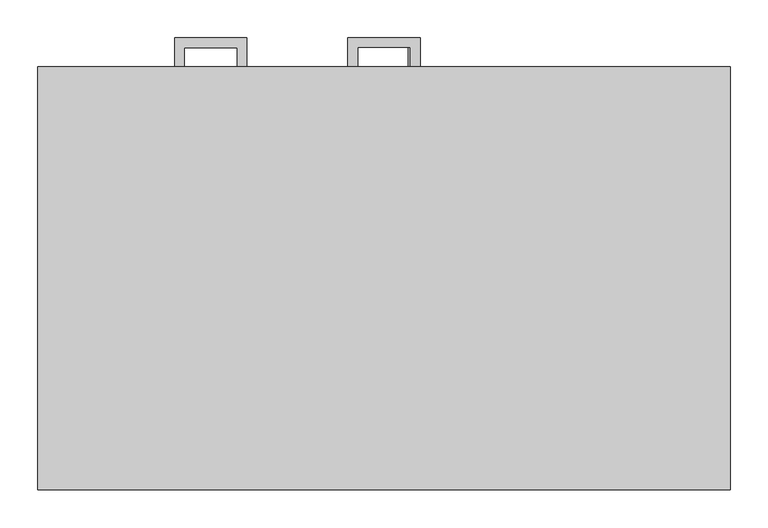
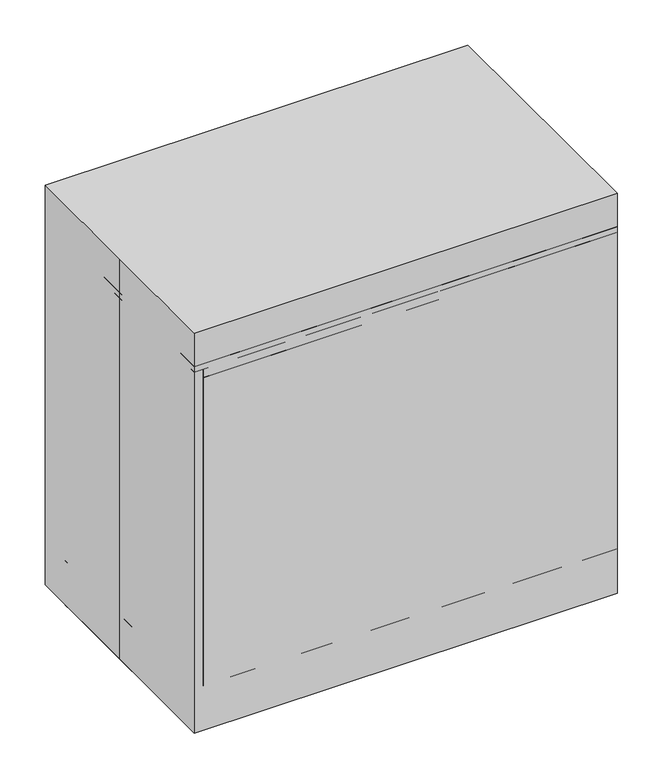
"""IFC4 building model written with IfcOpenShell, lengths in millimetres: proxy geometry."""

from ifc_helpers import new_model, si_unit, frame, origin, origin_with_axes, place, context, project, spatial, polyline, outline, extrude, source, transform, mapped, element, save


def specialty_equipment_9bda77ac(model_context):
    return source(origin(), model_context, "Body", "SweptSolid", [
        extrude(outline(polyline([(317.5, 614.3543692), (317.5, 519.1043692), (279.4, 519.1043692), (279.4, 531.7884392), (304.8159299, 531.7884392), (304.8159299, 601.6702991), (279.4, 601.6702991), (279.4, 614.3543692), (317.5, 614.3543692)])), frame((31.75, 0.0, 0.0), z_axis=(1.0, 0.0, 0.0), x_axis=(0.0, 1.0, 0.0)), (0.0, 0.0, 1.0), 12.7),
        extrude(outline(polyline([(-180.975, 317.5), (-180.975, 279.4), (-193.6590701, 279.4), (-193.6590701, 304.8159299), (-263.5409299, 304.8159299), (-263.5409299, 279.4), (-276.225, 279.4), (-276.225, 317.5), (-180.975, 317.5)])), frame((0.0, 0.0, 379.4125), z_axis=(0.0, 0.0, 1.0), x_axis=(1.0, 0.0, 0.0)), (0.0, 0.0, 1.0), 12.7),
        extrude(outline(polyline([(-180.975, 317.5), (-180.975, 279.4), (-193.6590701, 279.4), (-193.6590701, 304.8159299), (-263.5409299, 304.8159299), (-263.5409299, 279.4), (-276.225, 279.4), (-276.225, 317.5), (-180.975, 317.5)])), frame((0.0, 0.0, 560.3793692), z_axis=(0.0, 0.0, 1.0), x_axis=(1.0, 0.0, 0.0)), (0.0, 0.0, 1.0), 12.7),
        extrude(outline(polyline([(-180.975, 317.5), (-180.975, 279.4), (-193.6590701, 279.4), (-193.6590701, 304.8159299), (-263.5409299, 304.8159299), (-263.5409299, 279.4), (-276.225, 279.4), (-276.225, 317.5), (-180.975, 317.5)])), frame((0.0, 0.0, 182.5787617), z_axis=(0.0, 0.0, 1.0), x_axis=(1.0, 0.0, 0.0)), (0.0, 0.0, 1.0), 12.7),
        extrude(outline(polyline([(47.625, 317.5), (47.625, 279.4), (34.9409299, 279.4), (34.9409299, 304.8159299), (-34.9409299, 304.8159299), (-34.9409299, 279.4), (-47.625, 279.4), (-47.625, 317.5), (47.625, 317.5)])), frame((0.0, 0.0, 741.3462383), z_axis=(0.0, 0.0, 1.0), x_axis=(1.0, 0.0, 0.0)), (0.0, 0.0, 1.0), 12.7),
        extrude(outline(polyline([(-457.2, -279.4), (-457.2, 0.0), (-457.2, 279.4), (457.2, 279.4), (457.2, -279.4), (-457.2, -279.4)])), origin_with_axes(), (0.0, 0.0, 1.0), 914.4),
        extrude(outline(polyline([(438.15, -279.4), (-438.15, -279.4), (-438.15, 260.35), (438.15, 260.35), (438.15, -279.4)])), frame((0.0, 0.0, 120.7166954), z_axis=(0.0, 0.0, 1.0), x_axis=(1.0, 0.0, 0.0)), (0.0, 0.0, 1.0), 704.7507813),
        extrude(outline(polyline([(-3.175, 279.4), (-3.175, 260.35), (-454.025, 260.35), (-454.025, 279.4), (-3.175, 279.4)])), frame((0.0, 0.0, 285.7418692), z_axis=(0.0, 0.0, 1.0), x_axis=(1.0, 0.0, 0.0)), (0.0, 0.0, 1.0), 174.6168692),
        extrude(outline(polyline([(-3.175, 279.4), (-3.175, 260.35), (-454.025, 260.35), (-454.025, 279.4), (-3.175, 279.4)])), frame((0.0, 0.0, 466.7087383), z_axis=(0.0, 0.0, 1.0), x_axis=(1.0, 0.0, 0.0)), (0.0, 0.0, 1.0), 174.6168692),
        extrude(outline(polyline([(-3.175, 279.4), (-3.175, 260.35), (-454.025, 260.35), (-454.025, 279.4), (-3.175, 279.4)])), frame((0.0, 0.0, 101.6), z_axis=(0.0, 0.0, 1.0), x_axis=(1.0, 0.0, 0.0)), (0.0, 0.0, 1.0), 177.7918692),
        extrude(outline(polyline([(-438.15, -279.4), (-457.2, -279.4), (-457.2, 260.35), (-438.15, 260.35), (-438.15, -279.4)])), frame((0.0, 0.0, 101.6), z_axis=(0.0, 0.0, 1.0), x_axis=(1.0, 0.0, 0.0)), (0.0, 0.0, 1.0), 723.8674767),
        extrude(outline(polyline([(454.025, 279.4), (454.025, 260.35), (-454.025, 260.35), (-454.025, 279.4), (454.025, 279.4)])), frame((0.0, 0.0, 647.6756075), z_axis=(0.0, 0.0, 1.0), x_axis=(1.0, 0.0, 0.0)), (0.0, 0.0, 1.0), 177.7918692),
        extrude(outline(polyline([(454.025, 279.4), (454.025, 260.35), (3.175, 260.35), (3.175, 279.4), (454.025, 279.4)])), frame((0.0, 0.0, 101.6), z_axis=(0.0, 0.0, 1.0), x_axis=(1.0, 0.0, 0.0)), (0.0, 0.0, 1.0), 539.7256075),
        extrude(outline(polyline([(-457.2, 184.15), (-438.15, 184.15), (-438.15, -279.4), (-457.2, -279.4), (-457.2, 184.15)])), origin_with_axes(), (0.0, 0.0, 1.0), 101.6),
        extrude(outline(polyline([(438.15, 184.15), (457.2, 184.15), (457.2, -279.4), (438.15, -279.4), (438.15, 184.15)])), origin_with_axes(), (0.0, 0.0, 1.0), 101.6),
        extrude(outline(polyline([(438.15, 260.35), (457.2, 260.35), (457.2, -279.4), (438.15, -279.4), (438.15, 260.35)])), frame((0.0, 0.0, 101.6), z_axis=(0.0, 0.0, 1.0), x_axis=(1.0, 0.0, 0.0)), (0.0, 0.0, 1.0), 723.8674767),
        extrude(outline(polyline([(-457.2, 260.35), (-438.15, 260.35), (-438.15, -279.4), (-457.2, -279.4), (-457.2, 260.35)])), frame((0.0, 0.0, 101.6), z_axis=(0.0, 0.0, 1.0), x_axis=(1.0, 0.0, 0.0)), (0.0, 0.0, 1.0), 723.8674767),
        extrude(outline(polyline([(457.2, -279.4), (-457.2, -279.4), (-457.2, 260.35), (457.2, 260.35), (457.2, -279.4)])), frame((0.0, 0.0, 825.4674767), z_axis=(0.0, 0.0, 1.0), x_axis=(1.0, 0.0, 0.0)), (0.0, 0.0, 1.0), 12.7325233),
        extrude(outline(polyline([(457.2, 203.2), (457.2, 184.15), (-457.2, 184.15), (-457.2, 203.2), (457.2, 203.2)])), origin_with_axes(), (0.0, 0.0, 1.0), 101.6),
        extrude(outline(polyline([(457.2, -260.35), (457.2, -279.4), (-457.2, -279.4), (-457.2, -260.35), (457.2, -260.35)])), origin_with_axes(), (0.0, 0.0, 1.0), 101.6),
        extrude(outline(polyline([(438.15, -260.35), (-438.15, -260.35), (-438.15, 260.35), (438.15, 260.35), (438.15, -260.35)])), frame((0.0, 0.0, 101.6), z_axis=(0.0, 0.0, 1.0), x_axis=(1.0, 0.0, 0.0)), (0.0, 0.0, 1.0), 19.1166954),
        extrude(outline(polyline([(438.15, -260.35), (438.15, -279.4), (-438.15, -279.4), (-438.15, -260.35), (438.15, -260.35)])), frame((0.0, 0.0, 101.6), z_axis=(0.0, 0.0, 1.0), x_axis=(1.0, 0.0, 0.0)), (0.0, 0.0, 1.0), 704.8174767),
    ])


if __name__ == "__main__":
    model = new_model("IFC4")
    model_context = context("Model", 3, world=origin())
    ifc_project = project(units=[si_unit("LENGTHUNIT", "METRE", prefix="MILLI")], contexts=[model_context])
    site = spatial("IfcSite", under=ifc_project)
    building = spatial("IfcBuilding", under=site)
    placement = place(None, origin())
    specialty_equipment_shape = specialty_equipment_9bda77ac(model_context)
    element("IfcBuildingElementProxy", 1, Name="Specialty Equipment", at=placement, inside=building, context=model_context, shape_type="MappedRepresentation", body=[
        mapped(specialty_equipment_shape, transform((0.0, 0.0, 0.0), x_axis=(1.0, 0.0, 0.0), y_axis=(0.0, 1.0, 0.0), z_axis=(0.0, 0.0, 1.0))),
    ])
    save(model, "model.ifc")
